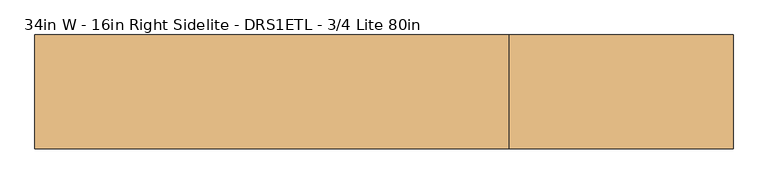
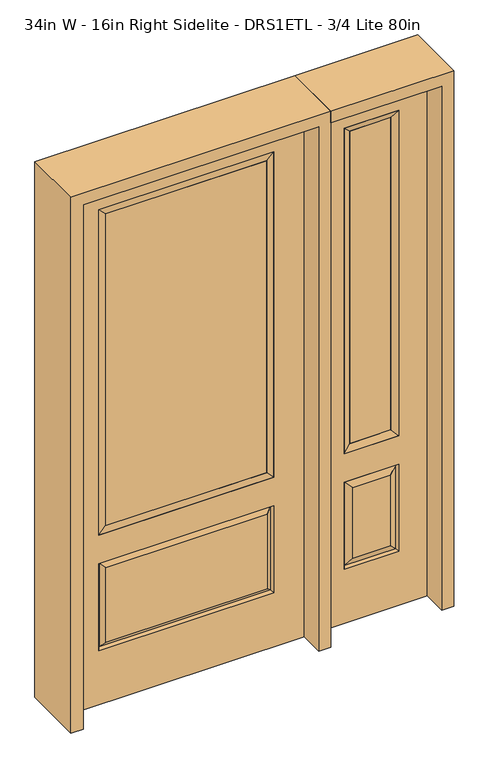
"""IFC4 building model written with IfcOpenShell, lengths in millimetres: door geometry, 34in W - 16in Right Sidelite - DRS1ETL - 3/4 Lite 80in."""

import ifcopenshell
import ifcopenshell.guid

model = None  # the IFC model being written
_history = None  # IfcOwnerHistory: only IFC2X3 demands one
_inside = {}  # id of a spatial element -> (the spatial element, [elements in it])
_under = {}  # id of a project, library or spatial element -> (it, [spatial elements below it])
_declared = {}  # id of a project -> (the project, [libraries it declares])
_typed = {}  # id of a type object -> (the type object, [elements of that type])
_made_of = {}  # id of a material, layer set ... -> (it, [elements and type objects made of it])


def new_model(schema):
    """Start an empty IFC model of exactly this schema.

    Asked for "IFC4X3", IfcOpenShell would pick the latest addendum, in which some entities
    have other attributes; the version numbers below select the first issue.
    IFC2X3 requires an IfcOwnerHistory on every rooted entity: one is made here for all.
    """
    global model, _history
    if schema == "IFC4X3":
        model = ifcopenshell.file(schema_version=(4, 3, 0, 0))
    else:
        model = ifcopenshell.file(schema=schema)
    _inside.clear()
    _under.clear()
    _declared.clear()
    _typed.clear()
    _made_of.clear()
    _history = None
    if model.schema == "IFC2X3":
        org = make("IfcOrganization", Name="unknown")
        user = make(
            "IfcPersonAndOrganization",
            ThePerson=make("IfcPerson", FamilyName="unknown"),
            TheOrganization=org,
        )
        app = make(
            "IfcApplication",
            ApplicationDeveloper=org,
            Version="unknown",
            ApplicationFullName="unknown",
            ApplicationIdentifier="unknown",
        )
        _history = make(
            "IfcOwnerHistory",
            OwningUser=user,
            OwningApplication=app,
            ChangeAction="ADDED",
            CreationDate=0,
        )
    return model


def make(cls, **values):
    """One entity of the class cls with the attributes given. An attribute that is None is left unset."""
    return model.create_entity(
        cls, **{name: value for name, value in values.items() if value is not None}
    )


def rooted(cls, **values):
    """An entity with a GlobalId (a new one), such as an element, a storey or a relation."""
    return make(cls, GlobalId=ifcopenshell.guid.new(), OwnerHistory=_history, **values)


def si_unit(unit_type, name, prefix=None):
    """IfcSIUnit, for example si_unit("LENGTHUNIT", "METRE", prefix="MILLI")."""
    return make("IfcSIUnit", UnitType=unit_type, Prefix=prefix, Name=name)


def assignment(units):
    """IfcUnitAssignment: the units of a project."""
    return None if units is None else make("IfcUnitAssignment", Units=units)


def point(xyz):
    """IfcCartesianPoint."""
    return None if xyz is None else make("IfcCartesianPoint", Coordinates=xyz)


def direction(xyz):
    """IfcDirection."""
    return None if xyz is None else make("IfcDirection", DirectionRatios=xyz)


def frame(location, z_axis=None, x_axis=None):
    """IfcAxis2Placement3D, a coordinate frame: its origin and axes. An axis left out is left unset."""
    return make(
        "IfcAxis2Placement3D",
        Location=point(location),
        Axis=direction(z_axis),
        RefDirection=direction(x_axis),
    )


def origin():
    """The frame at (0, 0, 0) with its axes left unset."""
    return frame((0.0, 0.0, 0.0))


def place(relative_to, where):
    """IfcLocalPlacement: puts the frame where relative to a parent placement (None: the world)."""
    return make(
        "IfcLocalPlacement", PlacementRelTo=relative_to, RelativePlacement=where
    )


def context(
    kind, dimensions, precision=None, world=None, true_north=None, identifier=None
):
    """IfcGeometricRepresentationContext, for example the 3D "Model" context."""
    return make(
        "IfcGeometricRepresentationContext",
        ContextIdentifier=identifier,
        ContextType=kind,
        CoordinateSpaceDimension=dimensions,
        Precision=precision,
        WorldCoordinateSystem=world,
        TrueNorth=true_north,
    )


def project(units=None, contexts=None):
    """IfcProject with its units and contexts."""
    return rooted(
        "IfcProject",
        Name="project",
        RepresentationContexts=contexts,
        UnitsInContext=assignment(units),
    )


def spatial(cls, under=None, at=None, **own):
    """A site, building, storey or space (cls), placed at a placement, below another one or the project."""
    s = rooted(cls, ObjectPlacement=at, **own)
    if under is not None:
        _under.setdefault(under.id(), (under, []))[1].append(s)
    return s


def polyline(points):
    """IfcPolyline through the points."""
    return make("IfcPolyline", Points=[point(p) for p in points])


def outline(outer, holes=None, kind="AREA"):
    """IfcArbitraryClosedProfileDef: a profile drawn as a closed curve; with holes, ...WithVoids."""
    if holes is None:
        return make("IfcArbitraryClosedProfileDef", ProfileType=kind, OuterCurve=outer)
    return make(
        "IfcArbitraryProfileDefWithVoids",
        ProfileType=kind,
        OuterCurve=outer,
        InnerCurves=holes,
    )


def extrude(swept, where, along, depth):
    """IfcExtrudedAreaSolid: the profile swept, set in the frame where, extruded along a direction by depth."""
    return make(
        "IfcExtrudedAreaSolid",
        SweptArea=swept,
        Position=where,
        ExtrudedDirection=direction(along),
        Depth=depth,
    )


def faces_of(points, faces, orient=None, outer=None):
    """IfcFace entities. A face is a list of loops; a loop is a list of indices into points, from 0.

    orient and outer hold one flag for each loop. By default every Orientation is true, the
    first loop of a face is its IfcFaceOuterBound and the others are IfcFaceBound.
    """
    made = []
    for i, loops in enumerate(faces):
        bounds = []
        for j, loop in enumerate(loops):
            is_outer = j == 0 if outer is None else outer[i][j]
            bounds.append(
                make(
                    "IfcFaceOuterBound" if is_outer else "IfcFaceBound",
                    Bound=make("IfcPolyLoop", Polygon=[points[k] for k in loop]),
                    Orientation=True if orient is None else orient[i][j],
                )
            )
        made.append(make("IfcFace", Bounds=bounds))
    return made


def faceted_brep(points, faces, orient=None, outer=None, voids=None):
    """IfcFacetedBrep: a solid bounded by flat faces; with voids (closed shells), ...WithVoids."""
    shared = [point(p) for p in points]
    hull = make("IfcClosedShell", CfsFaces=faces_of(shared, faces, orient, outer))
    if voids is None:
        return make("IfcFacetedBrep", Outer=hull)
    return make(
        "IfcFacetedBrepWithVoids",
        Outer=hull,
        Voids=[
            make(cls, CfsFaces=faces_of(shared, fs, o, b)) for cls, fs, o, b in voids
        ],
    )


def shape(context_of_items, identifier, shape_type, items):
    """IfcShapeRepresentation: the items that make up one representation, for example the "Body"."""
    return make(
        "IfcShapeRepresentation",
        ContextOfItems=context_of_items,
        RepresentationIdentifier=identifier,
        RepresentationType=shape_type,
        Items=items,
    )


def source(mapping_origin, context_of_items, identifier, shape_type, items):
    """IfcRepresentationMap: a shape defined once, which mapped items show again and again."""
    return make(
        "IfcRepresentationMap",
        MappingOrigin=mapping_origin,
        MappedRepresentation=shape(context_of_items, identifier, shape_type, items),
    )


def transform(
    local_origin,
    x_axis=None,
    y_axis=None,
    z_axis=None,
    scale=None,
    scale2=None,
    scale3=None,
    uniform=True,
):
    """IfcCartesianTransformationOperator3D, or its non-uniform kind. x_axis, y_axis, z_axis: its Axis1, 2, 3."""
    if uniform:
        return make(
            "IfcCartesianTransformationOperator3D",
            Axis1=direction(x_axis),
            Axis2=direction(y_axis),
            LocalOrigin=point(local_origin),
            Scale=scale,
            Axis3=direction(z_axis),
        )
    return make(
        "IfcCartesianTransformationOperator3DnonUniform",
        Axis1=direction(x_axis),
        Axis2=direction(y_axis),
        LocalOrigin=point(local_origin),
        Scale=scale,
        Axis3=direction(z_axis),
        Scale2=scale2,
        Scale3=scale3,
    )


def mapped(mapping_source, mapping_target):
    """IfcMappedItem: shows the shape of a source again, moved by a transform."""
    return make(
        "IfcMappedItem", MappingSource=mapping_source, MappingTarget=mapping_target
    )


def made_of(thing, what):
    """Note that an element or type object is made of a material, layer set ...; save() writes the relation."""
    if what is not None:
        _made_of.setdefault(what.id(), (what, []))[1].append(thing)
    return thing


def element(
    cls,
    number,
    at=None,
    inside=None,
    cuts=None,
    type_object=None,
    material=None,
    context=None,
    identifier="Body",
    shape_type=None,
    held_by="IfcProductDefinitionShape",
    body=None,
    shapes=None,
    **own,
):
    """One element of the class cls, such as IfcWall. Its Tag is "e" and its number.

    at: its placement. inside: the storey or other place that contains it. cuts: it is an
    opening in that element (IfcRelVoidsElement). A single representation is given by context,
    identifier, shape_type and body (its items); several are given by shapes. held_by: the class
    of the entity that holds the representations. save() writes the other relations.
    """
    e = rooted(cls, Tag="e%d" % number, ObjectPlacement=at, **own)
    if body is not None:
        shapes = [shape(context, identifier, shape_type, body)]
    if shapes is not None:
        e.Representation = make(held_by, Representations=shapes)
    if inside is not None:
        _inside.setdefault(inside.id(), (inside, []))[1].append(e)
    if cuts is not None:
        rooted(
            "IfcRelVoidsElement", RelatingBuildingElement=cuts, RelatedOpeningElement=e
        )
    if type_object is not None:
        _typed.setdefault(type_object.id(), (type_object, []))[1].append(e)
    return made_of(e, material)


def aggregate(whole, parts):
    """IfcRelAggregates: a whole, such as a stair, and the parts it consists of."""
    return rooted("IfcRelAggregates", RelatingObject=whole, RelatedObjects=parts)


def save(model, path):
    """Write the relations noted so far, then the file.

    IfcRelAggregates (storeys below a building ...), IfcRelContainedInSpatialStructure (elements
    in a storey), IfcRelDefinesByType, IfcRelAssociatesMaterial and IfcRelDeclares: one each for
    every whole, place, type object, material and project.
    """
    for whole, parts in _under.values():
        aggregate(whole, parts)
    for where, things in _inside.values():
        rooted(
            "IfcRelContainedInSpatialStructure",
            RelatedElements=things,
            RelatingStructure=where,
        )
    for kind, things in _typed.values():
        rooted("IfcRelDefinesByType", RelatedObjects=things, RelatingType=kind)
    for what, things in _made_of.values():
        rooted("IfcRelAssociatesMaterial", RelatedObjects=things, RelatingMaterial=what)
    for by, libraries in _declared.values():
        rooted("IfcRelDeclares", RelatingContext=by, RelatedDefinitions=libraries)
    model.write(path)


def door_34in_w_16in_right_sidelite_drs1etl_3_4_lite_80in_bc8ce20b(model_context):
    return source(origin(), model_context, "Body", "SolidModel", [
        faceted_brep([(476.25, -22.225, 0.0), (882.65, -22.225, 0.0), (882.65, -22.225, 2032.0), (476.25, -22.225, 2032.0), (779.78, -22.225, 1919.224), (779.78, -22.225, 657.098), (579.12, -22.225, 657.098), (579.12, -22.225, 1919.224), (779.78, -22.225, 209.55), (579.12, -22.225, 209.55), (579.12, -22.225, 546.1), (779.78, -22.225, 546.1), (610.8351001, -22.225, 241.2651001), (748.0648999, -22.225, 241.2651001), (748.0648999, -22.225, 514.3848999), (610.8351001, -22.225, 514.3848999), (476.25, 22.225, 0.0), (476.25, 22.225, 2032.0), (882.65, 22.225, 2032.0), (882.65, 22.225, 0.0), (779.78, 22.225, 1919.224), (579.12, 22.225, 1919.224), (579.12, 22.225, 657.098), (779.78, 22.225, 657.098), (579.12, 22.225, 209.55), (779.78, 22.225, 209.55), (779.78, 22.225, 546.1), (579.12, 22.225, 546.1), (748.0648999, 22.225, 241.2651001), (610.8351001, 22.225, 241.2651001), (610.8351001, 22.225, 514.3848999), (748.0648999, 22.225, 514.3848999), (772.6711499, 12.7912373, 216.6588501), (586.2288501, 12.7912373, 216.6588501), (586.2288501, 12.7912373, 538.9911499), (772.6711499, 12.7912373, 538.9911499), (586.2288501, -12.7912373, 216.6588501), (772.6711499, -12.7912373, 216.6588501), (586.2288501, -12.7912373, 538.9911499), (772.6711499, -12.7912373, 538.9911499)], [[[0, 1, 2, 3], [4, 5, 6, 7], [8, 9, 10, 11]], [[12, 13, 14, 15]], [[16, 17, 18, 19], [20, 21, 22, 23], [24, 25, 26, 27]], [[28, 29, 30, 31]], [[1, 0, 16, 19]], [[2, 1, 19, 18]], [[3, 2, 18, 17]], [[0, 3, 17, 16]], [[5, 4, 20, 23]], [[6, 5, 23, 22]], [[7, 6, 22, 21]], [[4, 7, 21, 20]], [[32, 33, 29, 28]], [[33, 32, 25, 24]], [[29, 33, 34, 30]], [[33, 24, 27, 34]], [[30, 34, 35, 31]], [[34, 27, 26, 35]], [[32, 28, 31, 35]], [[25, 32, 35, 26]], [[12, 36, 37, 13]], [[37, 36, 9, 8]], [[36, 12, 15, 38]], [[9, 36, 38, 10]], [[38, 15, 14, 39]], [[10, 38, 39, 11]], [[13, 37, 39, 14]], [[37, 8, 11, 39]]]),
        faceted_brep([(579.12, 22.225, 1919.224), (579.12, -22.225, 1919.224), (779.78, -22.225, 1919.224), (779.78, 22.225, 1919.224), (604.52, 12.7, 1893.824), (754.38, 12.7, 1893.824), (604.52, -12.7, 1893.824), (754.38, -12.7, 1893.824), (779.78, -22.225, 657.098), (779.78, 22.225, 657.098), (754.38, 12.7, 682.498), (754.38, -12.7, 682.498), (579.12, -22.225, 657.098), (579.12, 22.225, 657.098), (604.52, 12.7, 682.498), (604.52, -12.7, 682.498)], [[[0, 1, 2, 3]], [[4, 0, 3, 5]], [[6, 4, 5, 7]], [[1, 6, 7, 2]], [[3, 2, 8, 9]], [[5, 3, 9, 10]], [[7, 5, 10, 11]], [[2, 7, 11, 8]], [[9, 8, 12, 13]], [[10, 9, 13, 14]], [[11, 10, 14, 15]], [[8, 11, 15, 12]], [[13, 12, 1, 0]], [[14, 13, 0, 4]], [[15, 14, 4, 6]], [[12, 15, 6, 1]]]),
        extrude(outline(polyline([(754.38, -12.7), (604.52, -12.7), (604.52, 12.7), (754.38, 12.7), (754.38, -12.7)])), frame((0.0, 0.0, 682.498), z_axis=(0.0, 0.0, 1.0), x_axis=(1.0, 0.0, 0.0)), (0.0, 0.0, 1.0), 1211.326),
        faceted_brep([(-313.5661499, -12.7912373, 216.6588501), (313.5661499, -12.7912373, 216.6588501), (296.06875, -22.225, 234.15625), (-296.06875, -22.225, 234.15625), (-320.675, -22.225, 209.55), (320.675, -22.225, 209.55), (-313.5661499, -12.7912373, 538.9911499), (-320.675, -22.225, 546.1), (296.06875, -22.225, 521.49375), (-296.06875, -22.225, 521.49375), (431.8, -22.225, 2032.0), (-431.8, -22.225, 2032.0), (-431.8, -22.225, 0.0), (431.8, -22.225, 0.0), (320.675, -22.225, 546.1), (320.675, -22.225, 1917.7), (320.675, -22.225, 657.098), (-320.675, -22.225, 657.098), (-320.675, -22.225, 1917.7), (313.5661499, -12.7912373, 538.9911499), (-431.8, 22.225, 2032.0), (-431.8, 22.225, 0.0), (431.8, 22.225, 0.0), (431.8, 22.225, 2032.0), (320.675, 22.225, 1917.7), (320.675, 22.225, 657.098), (-320.675, 22.225, 657.098), (-320.675, 22.225, 1917.7), (-320.675, 22.225, 209.55), (320.675, 22.225, 209.55), (320.675, 22.225, 546.1), (-320.675, 22.225, 546.1), (296.06875, 22.225, 234.15625), (-296.06875, 22.225, 234.15625), (-296.06875, 22.225, 521.49375), (296.06875, 22.225, 521.49375), (-313.5661499, 12.7912373, 216.6588501), (313.5661499, 12.7912373, 216.6588501), (313.5661499, 12.7912373, 538.9911499), (-313.5661499, 12.7912373, 538.9911499)], [[[0, 1, 2, 3]], [[1, 0, 4, 5]], [[4, 0, 6, 7]], [[3, 2, 8, 9]], [[10, 11, 12, 13], [5, 4, 7, 14], [15, 16, 17, 18]], [[1, 5, 14, 19]], [[2, 1, 19, 8]], [[0, 3, 9, 6]], [[7, 6, 19, 14]], [[6, 9, 8, 19]], [[12, 11, 20, 21]], [[13, 12, 21, 22]], [[10, 13, 22, 23]], [[16, 15, 24, 25]], [[17, 16, 25, 26]], [[18, 17, 26, 27]], [[23, 22, 21, 20], [28, 29, 30, 31], [24, 27, 26, 25]], [[32, 33, 34, 35]], [[28, 36, 37, 29]], [[29, 37, 38, 30]], [[39, 31, 30, 38]], [[36, 28, 31, 39]], [[37, 36, 33, 32]], [[33, 36, 39, 34]], [[34, 39, 38, 35]], [[37, 32, 35, 38]], [[11, 10, 23, 20]], [[15, 18, 27, 24]]]),
        faceted_brep([(-320.675, -22.225, 1917.7), (-320.675, 22.225, 1917.7), (-320.675, 22.225, 657.098), (-320.675, -22.225, 657.098), (320.675, 22.225, 657.098), (320.675, -22.225, 657.098), (-295.275, 5.08, 682.498), (295.275, 5.08, 682.498), (320.675, 22.225, 1917.7), (320.675, -22.225, 1917.7), (-295.275, -20.32, 682.498), (295.275, -20.32, 682.498), (-295.275, -20.32, 1892.3), (295.275, -20.32, 1892.3), (-295.275, 5.08, 1892.3), (295.275, 5.08, 1892.3)], [[[0, 1, 2, 3]], [[3, 2, 4, 5]], [[2, 6, 7, 4]], [[5, 4, 8, 9]], [[10, 3, 5, 11]], [[12, 0, 3, 10]], [[11, 5, 9, 13]], [[6, 10, 11, 7]], [[14, 12, 10, 6]], [[7, 11, 13, 15]], [[1, 14, 6, 2]], [[4, 7, 15, 8]], [[9, 8, 1, 0]], [[13, 9, 0, 12]], [[15, 13, 12, 14]], [[8, 15, 14, 1]]]),
        extrude(outline(polyline([(295.275, -20.32), (-295.275, -20.32), (-295.275, 5.08), (295.275, 5.08), (295.275, -20.32)])), frame((0.0, 0.0, 682.498), z_axis=(0.0, 0.0, 1.0), x_axis=(1.0, 0.0, 0.0)), (0.0, 0.0, 1.0), 1209.802),
        extrude(outline(polyline([(2076.45, -476.25), (0.0, -476.25), (0.0, -431.8), (2032.0, -431.8), (2032.0, 431.8), (0.0, 431.8), (0.0, 476.25), (2076.45, 476.25), (2076.45, -476.25)])), frame((0.0, -114.3, 0.0), z_axis=(0.0, 1.0, 0.0), x_axis=(0.0, 0.0, 1.0)), (0.0, 0.0, 1.0), 228.6),
        extrude(outline(polyline([(0.0, 882.65), (0.0, 927.1), (2076.45, 927.1), (2076.45, 476.25), (2032.0, 476.25), (2032.0, 882.65), (0.0, 882.65)])), frame((0.0, -114.3, 0.0), z_axis=(0.0, 1.0, 0.0), x_axis=(0.0, 0.0, 1.0)), (0.0, 0.0, 1.0), 228.6),
    ])


if __name__ == "__main__":
    model = new_model("IFC4")
    model_context = context("Model", 3, world=origin())
    ifc_project = project(units=[si_unit("LENGTHUNIT", "METRE", prefix="MILLI")], contexts=[model_context])
    site = spatial("IfcSite", under=ifc_project)
    building = spatial("IfcBuilding", under=site)
    placement = place(None, origin())
    door_34in_w_16in_right_sidelite_drs1etl_3_4_lite_80in_shape = door_34in_w_16in_right_sidelite_drs1etl_3_4_lite_80in_bc8ce20b(model_context)
    element("IfcDoor", 1, ObjectType="34in W - 16in Right Sidelite - DRS1ETL - 3/4 Lite 80in", at=placement, inside=building, context=model_context, shape_type="MappedRepresentation", body=[
        mapped(door_34in_w_16in_right_sidelite_drs1etl_3_4_lite_80in_shape, transform((0.0, 0.0, 0.0), x_axis=(1.0, 0.0, 0.0), y_axis=(0.0, 1.0, 0.0), z_axis=(0.0, 0.0, 1.0))),
    ])
    save(model, "model.ifc")
